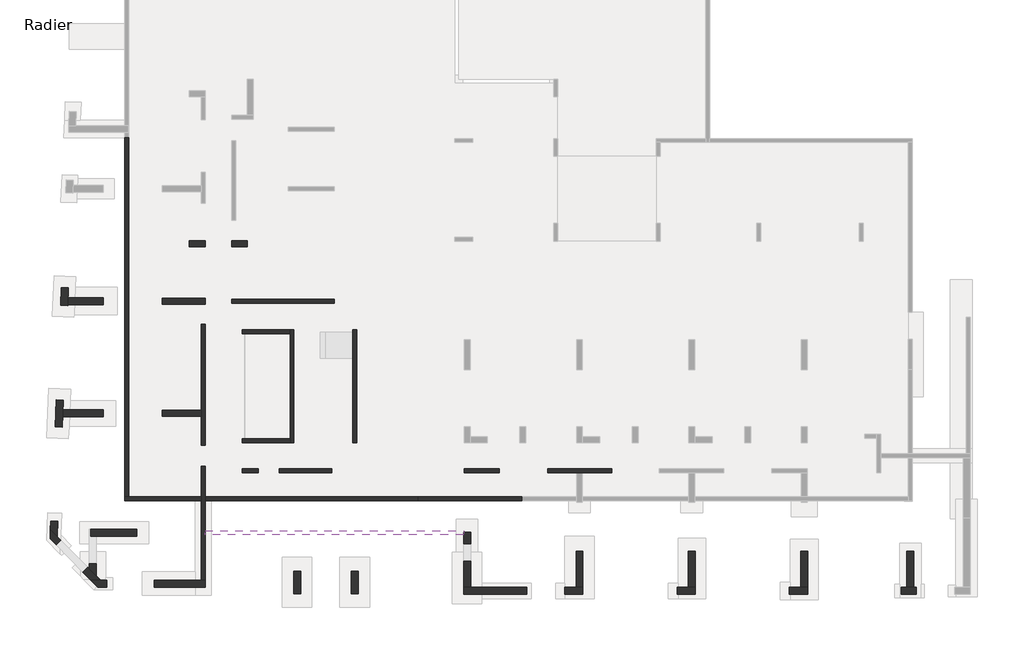
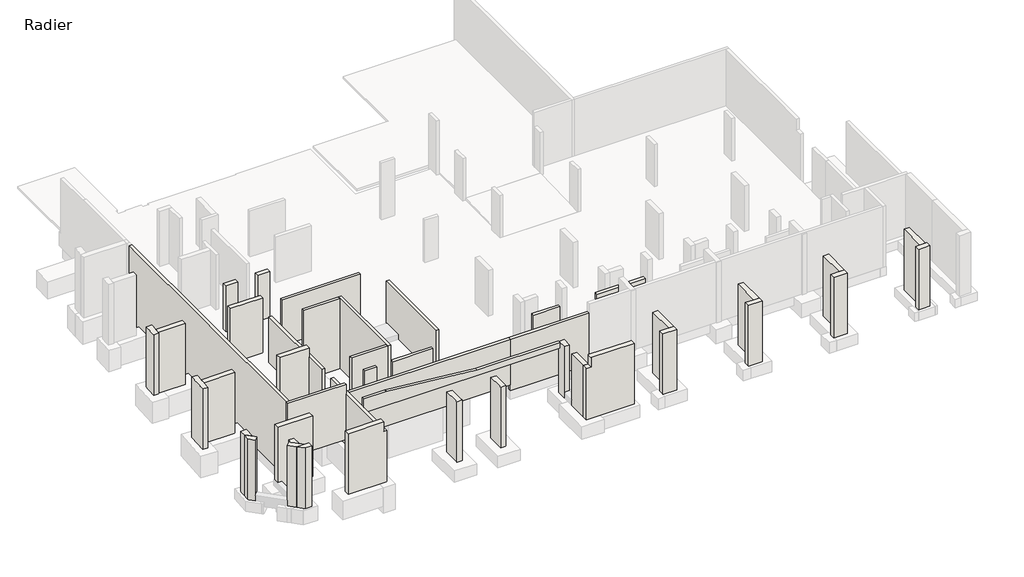
# One storey, part 1 of 5: 44 walls.
"""IFC4 building model written with IfcOpenShell, lengths in millimetres."""

from ifc_helpers import new_model, si_unit, frame, origin, place, context, project, spatial, polyline, outline, extrude, faceted_brep, element, save

model = new_model("IFC4")

# Units and contexts
model_context = context("Model", 3, world=origin())
ifc_project = project(units=[si_unit("LENGTHUNIT", "METRE", prefix="MILLI")], contexts=[model_context])

# Site, building, storey
site = spatial("IfcSite", under=ifc_project)
building = spatial("IfcBuilding", under=site)
storey = spatial("IfcBuildingStorey", under=building, Name="Radier", Elevation=-3900.0)

# Walls
placement = place(None, origin())
element("IfcWall", 1, ObjectType="MHA20", at=placement, inside=storey, context=model_context, shape_type="Brep", body=[
    faceted_brep([(-36735.6912908, -18724.0672499, -4300.0), (-36735.6912908, -12949.0672499, -4300.0), (-36735.6912908, -12949.0672499, -4050.0), (-36735.6912908, -12949.0672499, -670.0), (-36735.6912908, -18724.0672499, -670.0), (-36935.6912908, -18724.0672499, -4300.0), (-36935.6912908, -18724.0672499, -670.0), (-36935.6912908, -12949.0672499, -670.0), (-36935.6912908, -12949.0672499, -4050.0), (-36935.6912908, -12949.0672499, -4300.0)], [[[0, 1, 2, 3, 4]], [[5, 6, 7, 8, 9]], [[1, 0, 5, 9]], [[3, 2, 1, 9, 8, 7]], [[4, 3, 7, 6]], [[0, 4, 6, 5]]]),
])
element("IfcWall", 2, ObjectType="MHA20", at=placement, inside=storey, context=model_context, shape_type="Brep", body=[
    faceted_brep([(-16160.6912908, -13079.0672499, -4300.0), (-19380.6912908, -13079.0672499, -4300.0), (-19380.6912908, -13079.0672499, -670.0), (-16160.6912908, -13079.0672499, -670.0), (-16160.6912908, -13279.0672499, -4300.0), (-16160.6912908, -13279.0672499, -670.0), (-19380.6912908, -13279.0672499, -670.0), (-19380.6912908, -13279.0672499, -4300.0), (-17935.6912908, -13279.0672499, -4300.0), (-17635.6912908, -13279.0672499, -4300.0)], [[[0, 1, 2, 3]], [[4, 5, 6, 7, 8, 9]], [[1, 0, 4, 9, 8, 7]], [[2, 1, 7, 6]], [[3, 2, 6, 5]], [[0, 3, 5, 4]]]),
])
element("IfcWall", 3, ObjectType="MHA20", at=placement, inside=storey, context=model_context, shape_type="SweptSolid", body=[
    extrude(outline(polyline([(-23625.6912908, -13079.0672499), (-21850.6912908, -13079.0672499), (-21850.6912908, -13279.0672499), (-23625.6912908, -13279.0672499), (-23625.6912908, -13079.0672499)])), frame((0.0, 0.0, -4300.0), z_axis=(0.0, 0.0, 1.0), x_axis=(1.0, 0.0, 0.0)), (0.0, 0.0, 1.0), 3630.0),
])
element("IfcWall", 4, ObjectType="MHA20", at=placement, inside=storey, context=model_context, shape_type="Brep", body=[
    faceted_brep([(-30320.6912908, -13079.0672499, -4300.0), (-32995.6912908, -13079.0672499, -4300.0), (-32995.6912908, -13079.0672499, -4050.0), (-32995.6912908, -13079.0672499, -670.0), (-30320.6912908, -13079.0672499, -670.0), (-30320.6912908, -13279.0672499, -4300.0), (-30320.6912908, -13279.0672499, -670.0), (-32995.6912908, -13279.0672499, -670.0), (-32995.6912908, -13279.0672499, -4050.0), (-32995.6912908, -13279.0672499, -4300.0)], [[[0, 1, 2, 3, 4]], [[5, 6, 7, 8, 9]], [[1, 0, 5, 9]], [[3, 2, 1, 9, 8, 7]], [[4, 3, 7, 6]], [[0, 4, 6, 5]]]),
])
element("IfcWall", 5, ObjectType="MHA20", at=placement, inside=storey, context=model_context, shape_type="Brep", body=[
    faceted_brep([(-34865.6912908, -13279.0672499, -4300.0), (-34055.6912908, -13279.0672499, -4300.0), (-34055.6912908, -13279.0672499, -4050.0), (-34055.6912908, -13279.0672499, -670.0), (-34865.6912908, -13279.0672499, -670.0), (-34865.6912908, -13079.0672499, -4300.0), (-34865.6912908, -13079.0672499, -670.0), (-34055.6912908, -13079.0672499, -670.0), (-34055.6912908, -13079.0672499, -4050.0), (-34055.6912908, -13079.0672499, -4300.0)], [[[0, 1, 2, 3, 4]], [[5, 6, 7, 8, 9]], [[1, 0, 5, 9]], [[3, 2, 1, 9, 8, 7]], [[4, 3, 7, 6]], [[0, 4, 6, 5]]]),
])
element("IfcWall", 6, ObjectType="MHA20", at=placement, inside=storey, context=model_context, shape_type="Brep", body=[
    faceted_brep([(-29065.6912908, -11759.0672499, -4300.0), (-29065.6912908, -6039.0672499, -4300.0), (-29065.6912908, -6039.0672499, -1650.0), (-29065.6912908, -6039.0672499, -830.0), (-29065.6912908, -6039.0672499, -670.0), (-29065.6912908, -11759.0672499, -670.0), (-29265.6912908, -11759.0672499, -4300.0), (-29265.6912908, -11759.0672499, -670.0), (-29265.6912908, -6039.0672499, -670.0), (-29265.6912908, -6039.0672499, -830.0), (-29265.6912908, -6039.0672499, -1650.0), (-29265.6912908, -6039.0672499, -4300.0)], [[[0, 1, 2, 3, 4, 5]], [[6, 7, 8, 9, 10, 11]], [[1, 0, 6, 11]], [[4, 3, 2, 1, 11, 10, 9, 8]], [[5, 4, 8, 7]], [[0, 5, 7, 6]]]),
])
element("IfcWall", 7, ObjectType="MHA20", at=placement, inside=storey, context=model_context, shape_type="Brep", body=[
    faceted_brep([(-35405.6912908, -4689.0672499, -4300.0), (-30195.6912908, -4689.0672499, -4300.0), (-30195.6912908, -4689.0672499, -1650.0), (-30195.6912908, -4689.0672499, -830.0), (-30195.6912908, -4689.0672499, -670.0), (-35405.6912908, -4689.0672499, -670.0), (-35405.6912908, -4689.0672499, -4050.0), (-35405.6912908, -4489.0672499, -4300.0), (-35405.6912908, -4489.0672499, -4050.0), (-35405.6912908, -4489.0672499, -670.0), (-30195.6912908, -4489.0672499, -670.0), (-30195.6912908, -4489.0672499, -830.0), (-30195.6912908, -4489.0672499, -1650.0), (-30195.6912908, -4489.0672499, -4300.0)], [[[0, 1, 2, 3, 4, 5, 6]], [[7, 8, 9, 10, 11, 12, 13]], [[1, 0, 7, 13]], [[4, 3, 2, 1, 13, 12, 11, 10]], [[5, 4, 10, 9]], [[0, 6, 5, 9, 8, 7]]]),
])
element("IfcWall", 8, ObjectType="MHA20", at=placement, inside=storey, context=model_context, shape_type="Brep", body=[
    faceted_brep([(-32245.6912908, -11759.0672499, -5800.0), (-32245.6912908, -6044.0672499, -5800.0), (-32245.6912908, -6044.0672499, -670.0), (-32245.6912908, -11759.0672499, -670.0), (-32445.6912908, -11759.0672499, -5800.0), (-32445.6912908, -11759.0672499, -670.0), (-32445.6912908, -11559.0672499, -670.0), (-32445.6912908, -6244.0672499, -670.0), (-32445.6912908, -6044.0672499, -670.0), (-32445.6912908, -6044.0672499, -5800.0), (-32445.6912908, -6244.0672499, -5800.0), (-32445.6912908, -11559.0672499, -5800.0)], [[[0, 1, 2, 3]], [[4, 5, 6, 7, 8, 9, 10, 11]], [[1, 0, 4, 11, 10, 9]], [[3, 2, 8, 7, 6, 5]], [[0, 3, 5, 4]], [[2, 1, 9, 8]]]),
])
element("IfcWall", 9, ObjectType="MHA20", at=placement, inside=storey, context=model_context, shape_type="Brep", body=[
    faceted_brep([(-34865.6912908, -11759.0672499, -5800.0), (-32445.6912908, -11759.0672499, -5800.0), (-32445.6912908, -11759.0672499, -670.0), (-34865.6912908, -11759.0672499, -670.0), (-34865.6912908, -11759.0672499, -4050.0), (-34865.6912908, -11559.0672499, -5800.0), (-34865.6912908, -11559.0672499, -4050.0), (-34865.6912908, -11559.0672499, -670.0), (-32445.6912908, -11559.0672499, -670.0), (-32445.6912908, -11559.0672499, -5800.0), (-34745.6912908, -11559.0672499, -5800.0)], [[[0, 1, 2, 3, 4]], [[5, 6, 7, 8, 9, 10]], [[1, 0, 5, 10, 9]], [[3, 2, 8, 7]], [[0, 4, 3, 7, 6, 5]], [[2, 1, 9, 8]]]),
])
element("IfcWall", 10, ObjectType="MHA20", at=placement, inside=storey, context=model_context, shape_type="Brep", body=[
    faceted_brep([(-34865.6912908, -6244.0672499, -5800.0), (-34745.6912908, -6244.0672499, -5800.0), (-32445.6912908, -6244.0672499, -5800.0), (-32445.6912908, -6244.0672499, -670.0), (-34865.6912908, -6244.0672499, -670.0), (-34865.6912908, -6244.0672499, -4050.0), (-34865.6912908, -6044.0672499, -5800.0), (-34865.6912908, -6044.0672499, -4050.0), (-34865.6912908, -6044.0672499, -670.0), (-32445.6912908, -6044.0672499, -670.0), (-32445.6912908, -6044.0672499, -5800.0)], [[[0, 1, 2, 3, 4, 5]], [[6, 7, 8, 9, 10]], [[2, 1, 0, 6, 10]], [[4, 3, 9, 8]], [[0, 5, 4, 8, 7, 6]], [[3, 2, 10, 9]]]),
])
element("IfcWall", 11, ObjectType="MHA20", at=placement, inside=storey, context=model_context, shape_type="Brep", body=[
    faceted_brep([(-36735.6912908, -11889.0672499, -4300.0), (-36735.6912908, -5774.0672499, -4300.0), (-36735.6912908, -5774.0672499, -670.0), (-36735.6912908, -11889.0672499, -670.0), (-36735.6912908, -11889.0672499, -4050.0), (-36935.6912908, -11889.0672499, -4300.0), (-36935.6912908, -11889.0672499, -4050.0), (-36935.6912908, -11889.0672499, -670.0), (-36935.6912908, -5774.0672499, -670.0), (-36935.6912908, -5774.0672499, -4300.0), (-36935.6912908, -10129.0672499, -4300.0), (-36935.6912908, -10429.0672499, -4300.0)], [[[0, 1, 2, 3, 4]], [[5, 6, 7, 8, 9, 10, 11]], [[1, 0, 5, 11, 10, 9]], [[2, 1, 9, 8]], [[3, 2, 8, 7]], [[0, 4, 3, 7, 6, 5]]]),
])
element("IfcWall", 12, ObjectType="MHA20", at=placement, inside=storey, context=model_context, shape_type="Brep", body=[
    faceted_brep([(-40605.6912908, -14499.0672499, -5400.0), (-40605.6912908, 3675.9327501, -5400.0), (-40605.6912908, 3675.9327501, -20.0), (-40605.6912908, -14499.0672499, -20.0), (-40805.6912908, -14499.0672499, -5400.0), (-40805.6912908, -14499.0672499, -3900.0), (-40805.6912908, -14499.0672499, -20.0), (-40805.6912908, 3675.9327501, -20.0), (-40805.6912908, 3675.9327501, -5400.0)], [[[0, 1, 2, 3]], [[4, 5, 6, 7, 8]], [[1, 0, 4, 8]], [[2, 1, 8, 7]], [[3, 2, 7, 6]], [[0, 3, 6, 5, 4]]]),
])
element("IfcWall", 13, ObjectType="MHA20", at=placement, inside=storey, context=model_context, shape_type="Brep", body=[
    faceted_brep([(-40805.6912908, -14699.0672499, -3900.0), (-36935.6912908, -14699.0672499, -3900.0), (-36935.6912908, -14699.0672499, -20.0), (-40805.6912908, -14699.0672499, -20.0), (-40805.6912908, -14499.0672499, -3900.0), (-40805.6912908, -14499.0672499, -20.0), (-40605.6912908, -14499.0672499, -20.0), (-36935.6912908, -14499.0672499, -20.0), (-36935.6912908, -14499.0672499, -3900.0)], [[[0, 1, 2, 3]], [[4, 5, 6, 7, 8]], [[1, 0, 4, 8]], [[2, 1, 8, 7]], [[3, 2, 7, 6, 5]], [[0, 3, 5, 4]]]),
])
element("IfcWall", 14, ObjectType="MHA20", at=placement, inside=storey, context=model_context, shape_type="Brep", body=[
    faceted_brep([(-25975.6912908, -14699.0672499, -4300.0), (-20715.6912908, -14699.0672499, -4300.0), (-20715.6912908, -14699.0672499, -670.0), (-23300.6912908, -14699.0672499, -670.0), (-23650.6912908, -14699.0672499, -670.0), (-25975.6912908, -14699.0672499, -670.0), (-25975.6912908, -14499.0672499, -4300.0), (-25975.6912908, -14499.0672499, -670.0), (-20715.6912908, -14499.0672499, -670.0), (-20715.6912908, -14499.0672499, -4300.0)], [[[0, 1, 2, 3, 4, 5]], [[6, 7, 8, 9]], [[1, 0, 6, 9]], [[2, 1, 9, 8]], [[5, 4, 3, 2, 8, 7]], [[0, 5, 7, 6]]]),
])
element("IfcWall", 15, ObjectType="MHA20", at=placement, inside=storey, context=model_context, shape_type="SweptSolid", body=[
    extrude(outline(polyline([(-25975.6912908, -14699.0672499), (-36735.6912908, -14699.0672499), (-36735.6912908, -14499.0672499), (-25975.6912908, -14499.0672499), (-25975.6912908, -14699.0672499)])), frame((0.0, 0.0, -3900.0), z_axis=(0.0, 0.0, 1.0), x_axis=(1.0, 0.0, 0.0)), (0.0, 0.0, 1.0), 3230.0),
])
element("IfcWall", 16, ObjectType="MHA20", at=placement, inside=storey, context=model_context, shape_type="Brep", body=[
    faceted_brep([(-36735.6912908, -16419.0672499, -80.0), (-36735.6912908, -16419.0672499, -1070.0), (-23650.6912908, -16419.0672499, -1070.0), (-23650.6912908, -16419.0672499, -670.0), (-29190.6912908, -16419.0672499, -670.0), (-35225.6912908, -16419.0672499, -80.0), (-36735.6912908, -16219.0672499, -1070.0), (-36735.6912908, -16219.0672499, -80.0), (-35225.6912908, -16219.0672499, -80.0), (-29190.6912908, -16219.0672499, -670.0), (-23650.6912908, -16219.0672499, -670.0), (-23650.6912908, -16219.0672499, -1070.0), (-23650.6912908, -16289.0672499, -670.0)], [[[0, 1, 2, 3, 4, 5]], [[6, 7, 8, 9, 10, 11]], [[0, 7, 6, 1]], [[2, 1, 6, 11]], [[3, 2, 11, 10, 12]], [[0, 5, 8, 7]], [[4, 3, 12, 10, 9]], [[5, 4, 9, 8]]]),
])
element("IfcWall", 17, ObjectType="MHA30", at=placement, inside=storey, context=model_context, shape_type="Brep", body=[
    faceted_brep([(-35405.6912908, -1844.0672499, -4300.0), (-34605.6912908, -1844.0672499, -4300.0), (-34605.6912908, -1844.0672499, -670.0), (-35405.6912908, -1844.0672499, -670.0), (-35405.6912908, -1844.0672499, -4050.0), (-35405.6912908, -1544.0672499, -4300.0), (-35405.6912908, -1544.0672499, -4050.0), (-35405.6912908, -1544.0672499, -670.0), (-34605.6912908, -1544.0672499, -670.0), (-34605.6912908, -1544.0672499, -4300.0)], [[[0, 1, 2, 3, 4]], [[5, 6, 7, 8, 9]], [[1, 0, 5, 9]], [[2, 1, 9, 8]], [[3, 2, 8, 7]], [[0, 4, 3, 7, 6, 5]]]),
])
element("IfcWall", 18, ObjectType="MHA30", at=placement, inside=storey, context=model_context, shape_type="Brep", body=[
    faceted_brep([(-36735.6912908, -1544.0672499, -4300.0), (-37535.6912908, -1544.0672499, -4300.0), (-37535.6912908, -1544.0672499, -670.0), (-36735.6912908, -1544.0672499, -670.0), (-36735.6912908, -1544.0672499, -820.0), (-36735.6912908, -1544.0672499, -4050.0), (-36735.6912908, -1844.0672499, -4300.0), (-36735.6912908, -1844.0672499, -4050.0), (-36735.6912908, -1844.0672499, -670.0), (-37535.6912908, -1844.0672499, -670.0), (-37535.6912908, -1844.0672499, -4300.0)], [[[0, 1, 2, 3, 4, 5]], [[6, 7, 8, 9, 10]], [[1, 0, 6, 10]], [[2, 1, 10, 9]], [[3, 2, 9, 8]], [[0, 5, 4, 3, 8, 7, 6]]]),
])
element("IfcWall", 19, ObjectType="MHA30", at=placement, inside=storey, context=model_context, shape_type="Brep", body=[
    faceted_brep([(-38905.6912908, -10429.0672499, -4300.0), (-36935.6912908, -10429.0672499, -4300.0), (-36935.6912908, -10429.0672499, -820.0), (-36935.6912908, -10429.0672499, -180.0), (-36935.6912908, -10429.0672499, -20.0), (-38905.6912908, -10429.0672499, -20.0), (-38905.6912908, -10429.0672499, -180.0), (-38905.6912908, -10429.0672499, -820.0), (-38905.6912908, -10129.0672499, -4300.0), (-38905.6912908, -10129.0672499, -820.0), (-38905.6912908, -10129.0672499, -180.0), (-38905.6912908, -10129.0672499, -20.0), (-36935.6912908, -10129.0672499, -20.0), (-36935.6912908, -10129.0672499, -180.0), (-36935.6912908, -10129.0672499, -820.0), (-36935.6912908, -10129.0672499, -4300.0)], [[[0, 1, 2, 3, 4, 5, 6, 7]], [[8, 9, 10, 11, 12, 13, 14, 15]], [[1, 0, 8, 15]], [[5, 4, 12, 11]], [[0, 7, 6, 5, 11, 10, 9, 8]], [[1, 15, 14, 13, 12, 4, 3, 2]]]),
])
element("IfcWall", 20, ObjectType="MHA30", at=placement, inside=storey, context=model_context, shape_type="Brep", body=[
    faceted_brep([(-36735.6912908, -4439.0672499, -4300.0), (-38905.6912908, -4439.0672499, -4300.0), (-38905.6912908, -4439.0672499, -820.0), (-38905.6912908, -4439.0672499, -180.0), (-38905.6912908, -4439.0672499, -20.0), (-36735.6912908, -4439.0672499, -20.0), (-36735.6912908, -4739.0672499, -4300.0), (-36735.6912908, -4739.0672499, -20.0), (-38905.6912908, -4739.0672499, -20.0), (-38905.6912908, -4739.0672499, -180.0), (-38905.6912908, -4739.0672499, -820.0), (-38905.6912908, -4739.0672499, -4300.0), (-36735.6912908, -4489.0672499, -4300.0), (-36735.6912908, -4689.0672499, -4300.0)], [[[0, 1, 2, 3, 4, 5]], [[6, 7, 8, 9, 10, 11]], [[1, 0, 12, 13, 6, 11]], [[4, 3, 2, 1, 11, 10, 9, 8]], [[5, 4, 8, 7]], [[0, 5, 7, 6, 13, 12]]]),
])
element("IfcWall", 21, ObjectType="MHA35", at=placement, inside=storey, context=model_context, shape_type="Brep", body=[
    faceted_brep([(-6230.6912908, -19094.0672499, -4300.0), (-6230.6912908, -17269.0672499, -4300.0), (-6230.6912908, -17269.0672499, -820.0), (-6230.6912908, -17269.0672499, -140.0), (-6230.6912908, -17269.0672499, -20.0), (-6230.6912908, -19094.0672499, -20.0), (-6580.6912908, -19094.0672499, -4300.0), (-6580.6912908, -19094.0672499, -20.0), (-6580.6912908, -17269.0672499, -20.0), (-6580.6912908, -17269.0672499, -140.0), (-6580.6912908, -17269.0672499, -820.0), (-6580.6912908, -17269.0672499, -4300.0)], [[[0, 1, 2, 3, 4, 5]], [[6, 7, 8, 9, 10, 11]], [[1, 0, 6, 11]], [[4, 3, 2, 1, 11, 10, 9, 8]], [[5, 4, 8, 7]], [[0, 5, 7, 6]]]),
])
element("IfcWall", 22, ObjectType="MHA35", at=placement, inside=storey, context=model_context, shape_type="Brep", body=[
    faceted_brep([(-850.6912908, -19094.0672499, -4300.0), (-850.6912908, -17269.0672499, -4300.0), (-850.6912908, -17269.0672499, -820.0), (-850.6912908, -17269.0672499, -140.0), (-850.6912908, -17269.0672499, -20.0), (-850.6912908, -19094.0672499, -20.0), (-1200.6912908, -19094.0672499, -4300.0), (-1200.6912908, -19094.0672499, -20.0), (-1200.6912908, -17269.0672499, -20.0), (-1200.6912908, -17269.0672499, -140.0), (-1200.6912908, -17269.0672499, -820.0), (-1200.6912908, -17269.0672499, -4300.0)], [[[0, 1, 2, 3, 4, 5]], [[6, 7, 8, 9, 10, 11]], [[1, 0, 6, 11]], [[4, 3, 2, 1, 11, 10, 9, 8]], [[5, 4, 8, 7]], [[0, 5, 7, 6]]]),
])
element("IfcWall", 23, ObjectType="MHA35", at=placement, inside=storey, context=model_context, shape_type="Brep", body=[
    faceted_brep([(-11920.6912908, -19094.0672499, -4300.0), (-11920.6912908, -17269.0672499, -4300.0), (-11920.6912908, -17269.0672499, -820.0), (-11920.6912908, -17269.0672499, -140.0), (-11920.6912908, -17269.0672499, -20.0), (-11920.6912908, -19094.0672499, -20.0), (-12270.6912908, -19094.0672499, -4300.0), (-12270.6912908, -19094.0672499, -20.0), (-12270.6912908, -17269.0672499, -20.0), (-12270.6912908, -17269.0672499, -140.0), (-12270.6912908, -17269.0672499, -820.0), (-12270.6912908, -17269.0672499, -4300.0)], [[[0, 1, 2, 3, 4, 5]], [[6, 7, 8, 9, 10, 11]], [[1, 0, 6, 11]], [[4, 3, 2, 1, 11, 10, 9, 8]], [[5, 4, 8, 7]], [[0, 5, 7, 6]]]),
])
element("IfcWall", 24, ObjectType="MHA35", at=placement, inside=storey, context=model_context, shape_type="Brep", body=[
    faceted_brep([(-17610.6912908, -19094.0672499, -4300.0), (-17610.6912908, -17269.0672499, -4300.0), (-17610.6912908, -17269.0672499, -820.0), (-17610.6912908, -17269.0672499, -140.0), (-17610.6912908, -17269.0672499, -20.0), (-17610.6912908, -19094.0672499, -20.0), (-17960.6912908, -19094.0672499, -4300.0), (-17960.6912908, -19094.0672499, -20.0), (-17960.6912908, -17269.0672499, -20.0), (-17960.6912908, -17269.0672499, -140.0), (-17960.6912908, -17269.0672499, -820.0), (-17960.6912908, -17269.0672499, -4300.0)], [[[0, 1, 2, 3, 4, 5]], [[6, 7, 8, 9, 10, 11]], [[1, 0, 6, 11]], [[4, 3, 2, 1, 11, 10, 9, 8]], [[5, 4, 8, 7]], [[0, 5, 7, 6]]]),
])
element("IfcWall", 25, ObjectType="MHA35", at=placement, inside=storey, context=model_context, shape_type="Brep", body=[
    faceted_brep([(-23300.6912908, -19094.0672499, -4300.0), (-23300.6912908, -17759.0672499, -4300.0), (-23300.6912908, -17759.0672499, -3900.0), (-23300.6912908, -17759.0672499, -1470.0), (-23300.6912908, -17759.0672499, -670.0), (-23300.6912908, -19094.0672499, -670.0), (-23650.6912908, -19094.0672499, -4300.0), (-23650.6912908, -19094.0672499, -670.0), (-23650.6912908, -17759.0672499, -670.0), (-23650.6912908, -17759.0672499, -1470.0), (-23650.6912908, -17759.0672499, -3900.0), (-23650.6912908, -17759.0672499, -4300.0), (-23325.6912908, -19094.0672499, -670.0)], [[[0, 1, 2, 3, 4, 5]], [[6, 7, 8, 9, 10, 11]], [[1, 0, 6, 11]], [[4, 3, 2, 1, 11, 10, 9, 8]], [[5, 4, 8, 7, 12]], [[0, 5, 12, 7, 6]]]),
])
element("IfcWall", 26, ObjectType="MHA35", at=placement, inside=storey, context=model_context, shape_type="Brep", body=[
    faceted_brep([(-28990.6912908, -19419.0672499, -4300.0), (-28990.6912908, -18269.0672499, -4300.0), (-28990.6912908, -18269.0672499, -20.0), (-28990.6912908, -19219.0672499, -20.0), (-28990.6912908, -19419.0672499, -20.0), (-28990.6912908, -19419.0672499, -420.0), (-29340.6912908, -19419.0672499, -4300.0), (-29340.6912908, -19419.0672499, -420.0), (-29340.6912908, -19419.0672499, -20.0), (-29340.6912908, -19219.0672499, -20.0), (-29340.6912908, -18269.0672499, -20.0), (-29340.6912908, -18269.0672499, -4300.0)], [[[0, 1, 2, 3, 4, 5]], [[6, 7, 8, 9, 10, 11]], [[1, 0, 6, 11]], [[2, 1, 11, 10]], [[4, 3, 2, 10, 9, 8]], [[0, 5, 4, 8, 7, 6]]]),
])
element("IfcWall", 27, ObjectType="MHA35", at=placement, inside=storey, context=model_context, shape_type="Brep", body=[
    faceted_brep([(-31910.6912908, -19419.0672499, -4300.0), (-31910.6912908, -18269.0672499, -4300.0), (-31910.6912908, -18269.0672499, -20.0), (-31910.6912908, -19219.0672499, -20.0), (-31910.6912908, -19419.0672499, -20.0), (-31910.6912908, -19419.0672499, -420.0), (-32260.6912908, -19419.0672499, -4300.0), (-32260.6912908, -19419.0672499, -420.0), (-32260.6912908, -19419.0672499, -20.0), (-32260.6912908, -19219.0672499, -20.0), (-32260.6912908, -18269.0672499, -20.0), (-32260.6912908, -18269.0672499, -4300.0)], [[[0, 1, 2, 3, 4, 5]], [[6, 7, 8, 9, 10, 11]], [[1, 0, 6, 11]], [[2, 1, 11, 10]], [[4, 3, 2, 10, 9, 8]], [[0, 5, 4, 8, 7, 6]]]),
])
element("IfcWall", 28, ObjectType="MHA35", at=placement, inside=storey, context=model_context, shape_type="Brep", body=[
    faceted_brep([(-43966.1461267, -10454.0672499, -4300.0), (-41905.6912908, -10454.0672499, -4300.0), (-41905.6912908, -10454.0672499, -820.0), (-41905.6912908, -10454.0672499, -140.0), (-41905.6912908, -10454.0672499, -20.0), (-43966.1461267, -10454.0672499, -20.0), (-43950.2684074, -10104.0672499, -4300.0), (-43950.2684074, -10104.0672499, -20.0), (-41905.6912908, -10104.0672499, -20.0), (-41905.6912908, -10104.0672499, -140.0), (-41905.6912908, -10104.0672499, -820.0), (-41905.6912908, -10104.0672499, -4300.0)], [[[0, 1, 2, 3, 4, 5]], [[6, 7, 8, 9, 10, 11]], [[1, 0, 6, 11]], [[4, 3, 2, 1, 11, 10, 9, 8]], [[5, 4, 8, 7]], [[0, 5, 7, 6]]]),
])
element("IfcWall", 29, ObjectType="MHA35", at=placement, inside=storey, context=model_context, shape_type="Brep", body=[
    faceted_brep([(-43708.0197758, -4764.0672499, -4300.0), (-41905.6912908, -4764.0672499, -4300.0), (-41905.6912908, -4764.0672499, -820.0), (-41905.6912908, -4764.0672499, -140.0), (-41905.6912908, -4764.0672499, -20.0), (-43708.0197758, -4764.0672499, -20.0), (-43692.1420565, -4414.0672499, -4300.0), (-43692.1420565, -4414.0672499, -20.0), (-41905.6912908, -4414.0672499, -20.0), (-41905.6912908, -4414.0672499, -140.0), (-41905.6912908, -4414.0672499, -820.0), (-41905.6912908, -4414.0672499, -4300.0)], [[[0, 1, 2, 3, 4, 5]], [[6, 7, 8, 9, 10, 11]], [[1, 0, 6, 11]], [[4, 3, 2, 1, 11, 10, 9, 8]], [[5, 4, 8, 7]], [[0, 5, 7, 6]]]),
])
element("IfcWall", 30, ObjectType="MHA35", at=placement, inside=storey, context=model_context, shape_type="Brep", body=[
    faceted_brep([(-23300.6912908, -16879.0672499, -4300.0), (-23300.6912908, -16289.0672499, -4300.0), (-23300.6912908, -16289.0672499, -1470.0), (-23300.6912908, -16289.0672499, -670.0), (-23300.6912908, -16879.0672499, -670.0), (-23300.6912908, -16879.0672499, -1470.0), (-23300.6912908, -16879.0672499, -3900.0), (-23650.6912908, -16879.0672499, -4300.0), (-23650.6912908, -16879.0672499, -3900.0), (-23650.6912908, -16879.0672499, -1470.0), (-23650.6912908, -16879.0672499, -670.0), (-23650.6912908, -16289.0672499, -670.0), (-23650.6912908, -16289.0672499, -1470.0), (-23650.6912908, -16289.0672499, -4300.0)], [[[0, 1, 2, 3, 4, 5, 6]], [[7, 8, 9, 10, 11, 12, 13]], [[1, 0, 7, 13]], [[3, 2, 1, 13, 12, 11]], [[4, 3, 11, 10]], [[0, 6, 5, 4, 10, 9, 8, 7]]]),
])
element("IfcWall", 31, ObjectType="MHA35", at=placement, inside=storey, context=model_context, shape_type="Brep", body=[
    faceted_brep([(-42250.6912908, -18510.656629, -4300.0), (-42250.6912908, -17889.0672499, -4300.0), (-42250.6912908, -17889.0672499, -3900.0), (-42250.6912908, -17889.0672499, -20.0), (-42250.6912908, -18510.656629, -20.0), (-42600.6912908, -18156.3621628, -4300.0), (-42600.6912908, -18156.3621628, -20.0), (-42600.6912908, -17889.0672499, -20.0), (-42600.6912908, -17889.0672499, -3900.0), (-42600.6912908, -17889.0672499, -4300.0)], [[[0, 1, 2, 3, 4]], [[5, 6, 7, 8, 9]], [[1, 0, 5, 9]], [[3, 2, 1, 9, 8, 7]], [[4, 3, 7, 6]], [[0, 4, 6, 5]]]),
])
element("IfcWall", 32, ObjectType="MHA35", at=placement, inside=storey, context=model_context, shape_type="SweptSolid", body=[
    extrude(outline(polyline([(-40205.6912908, -16494.0672499), (-42525.6912908, -16494.0672499), (-42525.6912908, -16144.0672499), (-40205.6912908, -16144.0672499), (-40205.6912908, -16494.0672499)])), frame((0.0, 0.0, -4300.0), z_axis=(0.0, 0.0, 1.0), x_axis=(1.0, 0.0, 0.0)), (0.0, 0.0, 1.0), 4280.0),
])
element("IfcWall", 33, ObjectType="MHA35", at=placement, inside=storey, context=model_context, shape_type="Brep", body=[
    faceted_brep([(-23650.6912908, -19444.0672499, -4300.0), (-20455.6912908, -19444.0672499, -4300.0), (-20455.6912908, -19444.0672499, -3700.0), (-20455.6912908, -19444.0672499, -420.0), (-20455.6912908, -19444.0672499, -140.0), (-20455.6912908, -19444.0672499, -20.0), (-23325.6912908, -19444.0672499, -20.0), (-23325.6912908, -19444.0672499, -670.0), (-23625.6912908, -19444.0672499, -670.0), (-23650.6912908, -19444.0672499, -670.0), (-23650.6912908, -19094.0672499, -4300.0), (-23650.6912908, -19094.0672499, -670.0), (-23325.6912908, -19094.0672499, -670.0), (-23325.6912908, -19094.0672499, -20.0), (-20715.6912908, -19094.0672499, -20.0), (-20515.6912908, -19094.0672499, -20.0), (-20455.6912908, -19094.0672499, -20.0), (-20455.6912908, -19094.0672499, -3700.0), (-20455.6912908, -19094.0672499, -4300.0), (-23300.6912908, -19094.0672499, -4300.0), (-23325.6912908, -19119.0672499, -20.0), (-23325.6912908, -19419.0672499, -20.0)], [[[0, 1, 2, 3, 4, 5, 6, 7, 8, 9]], [[10, 11, 12, 13, 14, 15, 16, 17, 18, 19]], [[1, 0, 10, 19, 18]], [[5, 4, 3, 2, 1, 18, 17, 16]], [[6, 5, 16, 15, 14, 13, 20, 21]], [[7, 12, 11, 9, 8]], [[0, 9, 11, 10]], [[7, 6, 21, 20, 13, 12]]]),
])
element("IfcWall", 34, ObjectType="MHA35", at=placement, inside=storey, context=model_context, shape_type="Brep", body=[
    faceted_brep([(-7155.6912908, -19444.0672499, -4300.0), (-6230.6912908, -19444.0672499, -4300.0), (-6230.6912908, -19444.0672499, -3700.0), (-6230.6912908, -19444.0672499, -420.0), (-6230.6912908, -19444.0672499, -140.0), (-6230.6912908, -19444.0672499, -20.0), (-7155.6912908, -19444.0672499, -20.0), (-7155.6912908, -19444.0672499, -140.0), (-7155.6912908, -19444.0672499, -420.0), (-7155.6912908, -19444.0672499, -3700.0), (-7155.6912908, -19094.0672499, -4300.0), (-7155.6912908, -19094.0672499, -3700.0), (-7155.6912908, -19094.0672499, -20.0), (-6580.6912908, -19094.0672499, -20.0), (-6230.6912908, -19094.0672499, -20.0), (-6230.6912908, -19094.0672499, -3700.0), (-6230.6912908, -19094.0672499, -4300.0), (-6580.6912908, -19094.0672499, -4300.0)], [[[0, 1, 2, 3, 4, 5, 6, 7, 8, 9]], [[10, 11, 12, 13, 14, 15, 16, 17]], [[1, 0, 10, 17, 16]], [[6, 5, 14, 13, 12]], [[0, 9, 8, 7, 6, 12, 11, 10]], [[5, 4, 3, 2, 1, 16, 15, 14]]]),
])
element("IfcWall", 35, ObjectType="MHA35", at=placement, inside=storey, context=model_context, shape_type="Brep", body=[
    faceted_brep([(-12845.6912908, -19444.0672499, -4300.0), (-11920.6912908, -19444.0672499, -4300.0), (-11920.6912908, -19444.0672499, -3700.0), (-11920.6912908, -19444.0672499, -420.0), (-11920.6912908, -19444.0672499, -140.0), (-11920.6912908, -19444.0672499, -20.0), (-12845.6912908, -19444.0672499, -20.0), (-12845.6912908, -19444.0672499, -140.0), (-12845.6912908, -19444.0672499, -420.0), (-12845.6912908, -19444.0672499, -3700.0), (-12845.6912908, -19094.0672499, -4300.0), (-12845.6912908, -19094.0672499, -3700.0), (-12845.6912908, -19094.0672499, -20.0), (-12270.6912908, -19094.0672499, -20.0), (-11920.6912908, -19094.0672499, -20.0), (-11920.6912908, -19094.0672499, -3700.0), (-11920.6912908, -19094.0672499, -4300.0), (-12270.6912908, -19094.0672499, -4300.0)], [[[0, 1, 2, 3, 4, 5, 6, 7, 8, 9]], [[10, 11, 12, 13, 14, 15, 16, 17]], [[1, 0, 10, 17, 16]], [[6, 5, 14, 13, 12]], [[0, 9, 8, 7, 6, 12, 11, 10]], [[5, 4, 3, 2, 1, 16, 15, 14]]]),
])
element("IfcWall", 36, ObjectType="MHA35", at=placement, inside=storey, context=model_context, shape_type="Brep", body=[
    faceted_brep([(-18535.6912908, -19444.0672499, -4300.0), (-17610.6912908, -19444.0672499, -4300.0), (-17610.6912908, -19444.0672499, -3700.0), (-17610.6912908, -19444.0672499, -420.0), (-17610.6912908, -19444.0672499, -140.0), (-17610.6912908, -19444.0672499, -20.0), (-18535.6912908, -19444.0672499, -20.0), (-18535.6912908, -19444.0672499, -140.0), (-18535.6912908, -19444.0672499, -420.0), (-18535.6912908, -19444.0672499, -3700.0), (-18535.6912908, -19094.0672499, -4300.0), (-18535.6912908, -19094.0672499, -3700.0), (-18535.6912908, -19094.0672499, -20.0), (-17960.6912908, -19094.0672499, -20.0), (-17610.6912908, -19094.0672499, -20.0), (-17610.6912908, -19094.0672499, -3700.0), (-17610.6912908, -19094.0672499, -4300.0), (-17960.6912908, -19094.0672499, -4300.0)], [[[0, 1, 2, 3, 4, 5, 6, 7, 8, 9]], [[10, 11, 12, 13, 14, 15, 16, 17]], [[1, 0, 10, 17, 16]], [[6, 5, 14, 13, 12]], [[0, 9, 8, 7, 6, 12, 11, 10]], [[5, 4, 3, 2, 1, 16, 15, 14]]]),
])
element("IfcWall", 37, ObjectType="MHA35", at=placement, inside=storey, context=model_context, shape_type="Brep", body=[
    faceted_brep([(-1485.6912908, -19444.0672499, -4300.0), (-725.6912908, -19444.0672499, -4300.0), (-725.6912908, -19444.0672499, -3700.0), (-725.6912908, -19444.0672499, -420.0), (-725.6912908, -19444.0672499, -140.0), (-725.6912908, -19444.0672499, -20.0), (-1485.6912908, -19444.0672499, -20.0), (-1485.6912908, -19444.0672499, -140.0), (-1485.6912908, -19444.0672499, -420.0), (-1485.6912908, -19444.0672499, -3700.0), (-1485.6912908, -19094.0672499, -4300.0), (-1485.6912908, -19094.0672499, -3700.0), (-1485.6912908, -19094.0672499, -20.0), (-1200.6912908, -19094.0672499, -20.0), (-850.6912908, -19094.0672499, -20.0), (-725.6912908, -19094.0672499, -20.0), (-725.6912908, -19094.0672499, -3700.0), (-725.6912908, -19094.0672499, -4300.0), (-850.6912908, -19094.0672499, -4300.0), (-1200.6912908, -19094.0672499, -4300.0)], [[[0, 1, 2, 3, 4, 5, 6, 7, 8, 9]], [[10, 11, 12, 13, 14, 15, 16, 17, 18, 19]], [[1, 0, 10, 19, 18, 17]], [[5, 4, 3, 2, 1, 17, 16, 15]], [[6, 5, 15, 14, 13, 12]], [[0, 9, 8, 7, 6, 12, 11, 10]]]),
])
element("IfcWall", 38, ObjectType="MHA35", at=placement, inside=storey, context=model_context, shape_type="Brep", body=[
    faceted_brep([(-43710.7383369, -4823.9937668, -4300.0), (-43708.0197758, -4764.0672499, -4300.0), (-43692.1420565, -4414.0672499, -4300.0), (-43669.7252716, -3919.9235657, -4300.0), (-43669.7252716, -3919.9235657, -3700.0), (-43669.7252716, -3919.9235657, -20.0), (-43692.1420565, -4414.0672499, -20.0), (-43708.0197758, -4764.0672499, -20.0), (-43710.7383369, -4823.9937668, -20.0), (-43710.7383369, -4823.9937668, -3700.0), (-44060.3787462, -4808.1323603, -4300.0), (-44060.3787462, -4808.1323603, -3700.0), (-44060.3787462, -4808.1323603, -420.0), (-44060.3787462, -4808.1323603, -140.0), (-44060.3787462, -4808.1323603, -20.0), (-44019.3656808, -3904.0621592, -20.0), (-44019.3656808, -3904.0621592, -140.0), (-44019.3656808, -3904.0621592, -420.0), (-44019.3656808, -3904.0621592, -3700.0), (-44019.3656808, -3904.0621592, -4300.0)], [[[0, 1, 2, 3, 4, 5, 6, 7, 8, 9]], [[10, 11, 12, 13, 14, 15, 16, 17, 18, 19]], [[3, 2, 1, 0, 10, 19]], [[5, 4, 3, 19, 18, 17, 16, 15]], [[8, 7, 6, 5, 15, 14]], [[0, 9, 8, 14, 13, 12, 11, 10]]]),
])
element("IfcWall", 39, ObjectType="MHA35", at=placement, inside=storey, context=model_context, shape_type="Brep", body=[
    faceted_brep([(-43989.4459083, -10967.6752437, -4300.0), (-43966.1461267, -10454.0672499, -4300.0), (-43950.2684074, -10104.0672499, -4300.0), (-43927.8130145, -9609.0725106, -4300.0), (-43927.8130145, -9609.0725106, -3700.0), (-43927.8130145, -9609.0725106, -20.0), (-43950.2684074, -10104.0672499, -20.0), (-43951.4025302, -10129.0672499, -20.0), (-43965.0120039, -10429.0672499, -20.0), (-43966.1461267, -10454.0672499, -20.0), (-43989.4459083, -10967.6752437, -20.0), (-43989.4459083, -10967.6752437, -3600.0), (-44339.0863176, -10951.8138372, -4300.0), (-44339.0863176, -10951.8138372, -3600.0), (-44339.0863176, -10951.8138372, -420.0), (-44339.0863176, -10951.8138372, -140.0), (-44339.0863176, -10951.8138372, -20.0), (-44277.4534238, -9593.2111041, -20.0), (-44277.4534238, -9593.2111041, -140.0), (-44277.4534238, -9593.2111041, -420.0), (-44277.4534238, -9593.2111041, -3700.0), (-44277.4534238, -9593.2111041, -4300.0)], [[[0, 1, 2, 3, 4, 5, 6, 7, 8, 9, 10, 11]], [[12, 13, 14, 15, 16, 17, 18, 19, 20, 21]], [[3, 2, 1, 0, 12, 21]], [[5, 4, 3, 21, 20, 19, 18, 17]], [[10, 9, 8, 7, 6, 5, 17, 16]], [[0, 11, 10, 16, 15, 14, 13, 12]]]),
])
element("IfcWall", 40, ObjectType="MHA35", at=placement, inside=storey, context=model_context, shape_type="Brep", body=[
    faceted_brep([(-44556.1609951, -15736.892581, -4300.0), (-44575.2454613, -16157.5804035, -4300.0), (-44575.2454613, -16157.5804035, -20.0), (-44556.1609951, -15736.892581, -20.0), (-44556.1609951, -15736.892581, -140.0), (-44556.1609951, -15736.892581, -420.0), (-44556.1609951, -15736.892581, -3600.0), (-44206.5205859, -15752.7539875, -4300.0), (-44206.5205859, -15752.7539875, -3600.0), (-44206.5205859, -15752.7539875, -20.0), (-44240.2681722, -16496.6678316, -20.0), (-44240.2681722, -16496.6678316, -4300.0)], [[[0, 1, 2, 3, 4, 5, 6]], [[7, 8, 9, 10, 11]], [[1, 0, 7, 11]], [[3, 2, 10, 9]], [[0, 6, 5, 4, 3, 9, 8, 7]], [[2, 1, 11, 10]]]),
])
element("IfcWall", 41, ObjectType="MHA35", at=placement, inside=storey, context=model_context, shape_type="Brep", body=[
    faceted_brep([(-42186.0939242, -19074.0672499, -4300.0), (-41735.6912908, -19074.0672499, -4300.0), (-41735.6912908, -19074.0672499, -3300.0), (-41735.6912908, -19074.0672499, -420.0), (-41735.6912908, -19074.0672499, -140.0), (-41735.6912908, -19074.0672499, -20.0), (-42186.0939242, -19074.0672499, -20.0), (-42531.8515121, -18724.0672499, -4300.0), (-42531.8515121, -18724.0672499, -20.0), (-42039.8674579, -18724.0672499, -20.0), (-41735.6912908, -18724.0672499, -20.0), (-41735.6912908, -18724.0672499, -3300.0), (-41735.6912908, -18724.0672499, -4300.0), (-42039.8674579, -18724.0672499, -4300.0)], [[[0, 1, 2, 3, 4, 5, 6]], [[7, 8, 9, 10, 11, 12, 13]], [[1, 0, 7, 13, 12]], [[5, 4, 3, 2, 1, 12, 11, 10]], [[6, 5, 10, 9, 8]], [[0, 6, 8, 7]]]),
])
element("IfcWall", 42, ObjectType="MHA35", at=placement, inside=storey, context=model_context, shape_type="Brep", body=[
    faceted_brep([(-42932.9248767, -18318.0727539, -4300.0), (-42531.8515121, -18724.0672499, -4300.0), (-42531.8515121, -18724.0672499, -20.0), (-42932.9248767, -18318.0727539, -20.0), (-42932.9248767, -18318.0727539, -140.0), (-42932.9248767, -18318.0727539, -420.0), (-42932.9248767, -18318.0727539, -3900.0), (-42683.933067, -18072.0990181, -4300.0), (-42683.933067, -18072.0990181, -3900.0), (-42683.933067, -18072.0990181, -20.0), (-42600.6912908, -18156.3621628, -20.0), (-42575.6912908, -18181.6689104, -20.0), (-42275.6912908, -18485.3498814, -20.0), (-42250.6912908, -18510.656629, -20.0), (-42039.8674579, -18724.0672499, -20.0), (-42039.8674579, -18724.0672499, -4300.0), (-42250.6912908, -18510.656629, -4300.0), (-42600.6912908, -18156.3621628, -4300.0)], [[[0, 1, 2, 3, 4, 5, 6]], [[7, 8, 9, 10, 11, 12, 13, 14, 15, 16, 17]], [[1, 0, 7, 17, 16, 15]], [[3, 2, 14, 13, 12, 11, 10, 9]], [[0, 6, 5, 4, 3, 9, 8, 7]], [[2, 1, 15, 14]]]),
])
element("IfcWall", 43, ObjectType="MHA35", at=placement, inside=storey, context=model_context, shape_type="Brep", body=[
    faceted_brep([(-39315.6912908, -19074.0672499, -4300.0), (-36735.6912908, -19074.0672499, -4300.0), (-36735.6912908, -19074.0672499, -670.0), (-36935.6912908, -19074.0672499, -670.0), (-36935.6912908, -19074.0672499, -20.0), (-39315.6912908, -19074.0672499, -20.0), (-39315.6912908, -19074.0672499, -140.0), (-39315.6912908, -19074.0672499, -420.0), (-39315.6912908, -19074.0672499, -3300.0), (-39315.6912908, -18724.0672499, -4300.0), (-39315.6912908, -18724.0672499, -3300.0), (-39315.6912908, -18724.0672499, -20.0), (-36935.6912908, -18724.0672499, -20.0), (-36935.6912908, -18724.0672499, -670.0), (-36735.6912908, -18724.0672499, -670.0), (-36735.6912908, -18724.0672499, -4300.0), (-36935.6912908, -18724.0672499, -4300.0), (-36935.6912908, -19049.0672499, -20.0), (-36935.6912908, -18749.0672499, -20.0)], [[[0, 1, 2, 3, 4, 5, 6, 7, 8]], [[9, 10, 11, 12, 13, 14, 15, 16]], [[1, 0, 9, 16, 15]], [[5, 4, 17, 18, 12, 11]], [[0, 8, 7, 6, 5, 11, 10, 9]], [[13, 3, 2, 14]], [[2, 1, 15, 14]], [[4, 3, 13, 12, 18, 17]]]),
])
element("IfcWall", 44, ObjectType="MHA35", at=placement, inside=storey, context=model_context, shape_type="Brep", body=[
    faceted_brep([(-44047.3231996, -16691.9802204, -4300.0), (-44240.2681722, -16496.6678316, -4300.0), (-44575.2454613, -16157.5804035, -4300.0), (-44575.2454613, -16157.5804035, -20.0), (-44240.2681722, -16496.6678316, -20.0), (-44047.3231996, -16691.9802204, -20.0), (-44296.3150093, -16937.9539561, -4300.0), (-44296.3150093, -16937.9539561, -420.0), (-44296.3150093, -16937.9539561, -140.0), (-44296.3150093, -16937.9539561, -20.0), (-44596.846186, -16633.7352909, -20.0), (-44596.846186, -16633.7352909, -4300.0)], [[[0, 1, 2, 3, 4, 5]], [[6, 7, 8, 9, 10, 11]], [[2, 1, 0, 6, 11]], [[5, 4, 3, 10, 9]], [[0, 5, 9, 8, 7, 6]], [[3, 2, 11, 10]]]),
])

save(model, "model.ifc")
